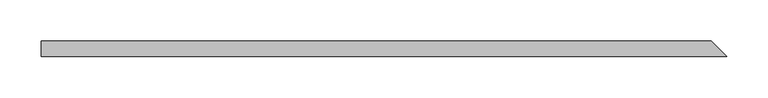
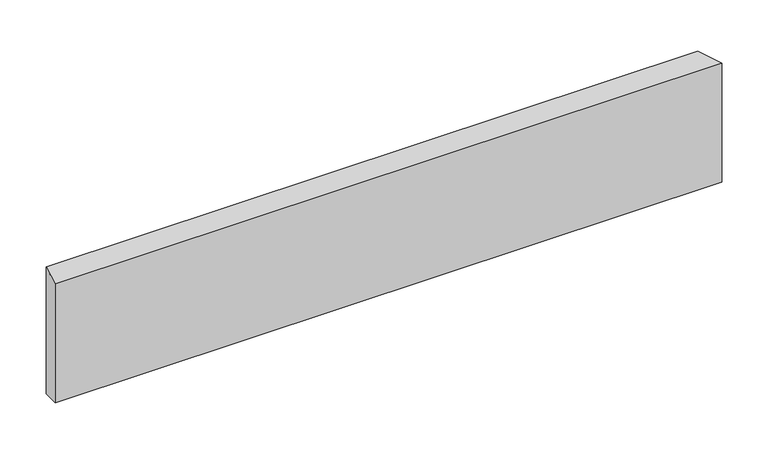
"""IFC4 building model written with IfcOpenShell, lengths in millimetres: beam geometry."""

from ifc_helpers import new_model, si_unit, origin, place, context, project, spatial, faceted_brep, source, transform, mapped, element, save


def beam_12485dd1(model_context):
    return source(origin(), model_context, "Body", "Brep", [
        faceted_brep([(420.8967316, -9.525, 84.0878906), (-411.3717316, -9.525, 84.0878906), (-411.3717316, -9.525, -72.9753906), (420.8967316, -9.525, -72.9753906), (401.8467316, 9.525, 95.2003906), (401.8467316, 9.525, -72.9753906), (-411.3717316, 9.525, -72.9753906), (-411.3717316, 9.525, 95.2003906)], [[[0, 1, 2, 3]], [[4, 5, 6, 7]], [[5, 4, 0, 3]], [[6, 5, 3, 2]], [[7, 6, 2, 1]], [[4, 7, 1, 0]]]),
    ])


if __name__ == "__main__":
    model = new_model("IFC4")
    model_context = context("Model", 3, world=origin())
    ifc_project = project(units=[si_unit("LENGTHUNIT", "METRE", prefix="MILLI")], contexts=[model_context])
    site = spatial("IfcSite", under=ifc_project)
    building = spatial("IfcBuilding", under=site)
    placement = place(None, origin())
    beam_shape = beam_12485dd1(model_context)
    element("IfcBeam", 1, at=placement, inside=building, context=model_context, shape_type="MappedRepresentation", body=[
        mapped(beam_shape, transform((0.0, 0.0, 0.0), x_axis=(1.0, 0.0, 0.0), y_axis=(0.0, 1.0, 0.0), z_axis=(0.0, 0.0, 1.0))),
    ])
    save(model, "model.ifc")
